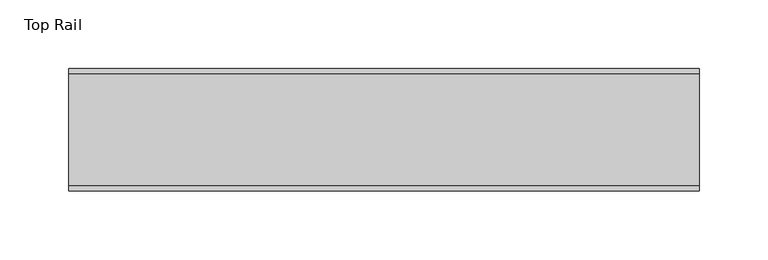
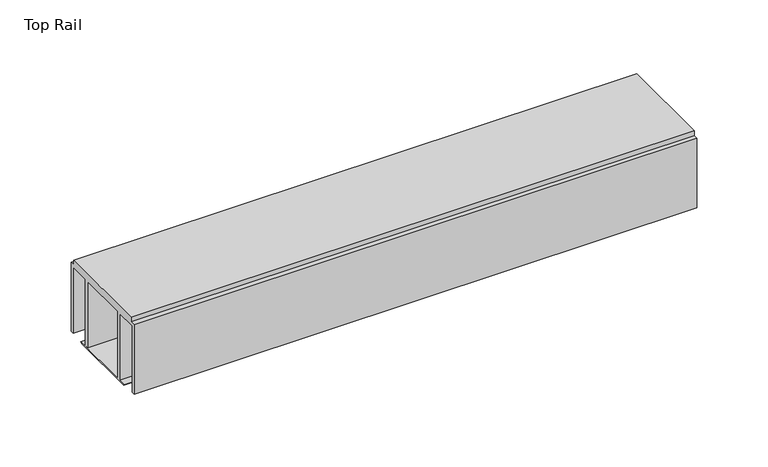
"""IFC4 building model written with IfcOpenShell, lengths in millimetres: furniture geometry, Top Rail."""

from ifc_helpers import new_model, si_unit, frame, origin, place, context, project, spatial, polyline, outline, extrude, source, transform, mapped, element, save


def top_rail_e3a11147(model_context):
    return source(origin(), model_context, "Body", "SweptSolid", [
        extrude(outline(polyline([(59.951805, -4.0000001), (59.951805, -63.5), (57.1518064, -63.5), (57.1518064, -6.6000002), (39.7518058, -6.6000002), (39.7518058, -63.5), (36.4518057, -63.5), (36.4518057, -6.6000002), (-5.4481956, -6.6000002), (-5.4481956, -63.9424102), (46.1177636, -63.9424102), (44.9726737, -65.0875), (-13.9690637, -65.0875), (-15.1141535, -63.9424102), (-8.7481957, -63.9424102), (-8.7481957, -6.6000002), (-26.1481963, -6.6000002), (-26.1481963, -63.5), (-28.948195, -63.5), (-28.948195, -4.0000001), (-24.9481962, -4.0000001), (-24.9481962, 0.0), (55.9518063, 0.0), (55.9518063, -4.0000001), (59.951805, -4.0000001)])), frame((-198.6228469, 0.0, 0.0), z_axis=(1.0, 0.0, 0.0), x_axis=(0.0, 1.0, 0.0)), (0.0, 0.0, 1.0), 457.2),
    ])


if __name__ == "__main__":
    model = new_model("IFC4")
    model_context = context("Model", 3, world=origin())
    ifc_project = project(units=[si_unit("LENGTHUNIT", "METRE", prefix="MILLI")], contexts=[model_context])
    site = spatial("IfcSite", under=ifc_project)
    building = spatial("IfcBuilding", under=site)
    placement = place(None, origin())
    top_rail_shape = top_rail_e3a11147(model_context)
    element("IfcFurniture", 1, ObjectType="Top Rail", at=placement, inside=building, context=model_context, shape_type="MappedRepresentation", body=[
        mapped(top_rail_shape, transform((0.0, 0.0, 0.0), x_axis=(1.0, 0.0, 0.0), y_axis=(0.0, 1.0, 0.0), z_axis=(0.0, 0.0, 1.0))),
    ])
    save(model, "model.ifc")
